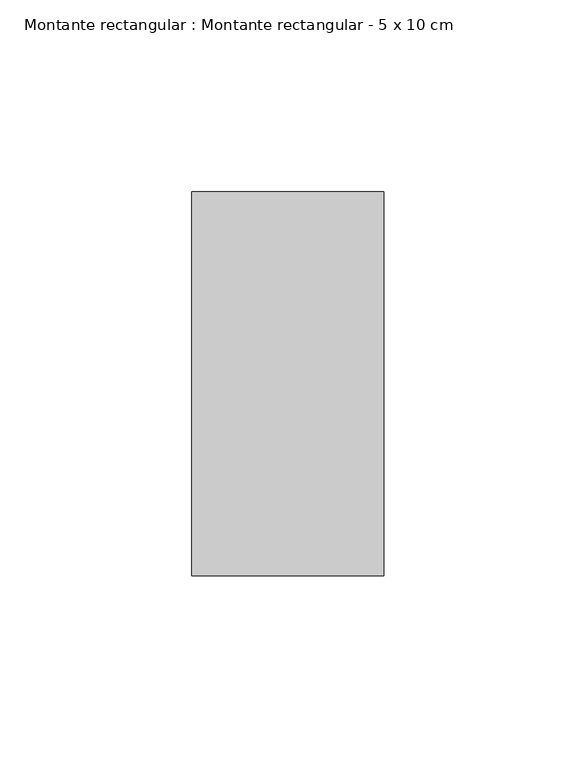
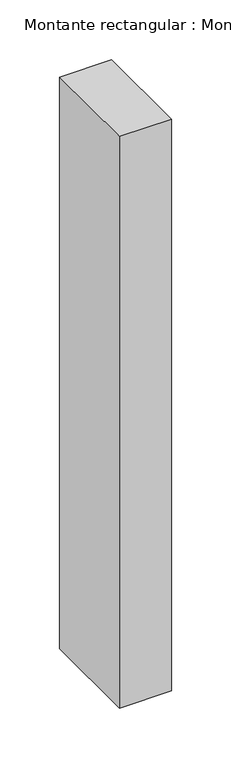
"""IFC4 building model written with IfcOpenShell, lengths in millimetres: member geometry, Montante rectangular : Montante rectangular - 5 x 10 cm."""

from ifc_helpers import new_model, si_unit, frame, origin, place, context, project, spatial, polyline, outline, extrude, source, transform, mapped, element, save


def montante_rectangular_montante_rectangular_5_x_10_cm_d1263c97(model_context):
    return source(origin(), model_context, "Body", "SweptSolid", [
        extrude(outline(polyline([(25.0, 50.0), (25.0, -50.0), (-25.0, -50.0), (-25.0, 50.0), (25.0, 50.0)])), frame((0.0, 0.0, -583.0), z_axis=(0.0, 0.0, 1.0), x_axis=(1.0, 0.0, 0.0)), (0.0, 0.0, 1.0), 583.0),
    ])


if __name__ == "__main__":
    model = new_model("IFC4")
    model_context = context("Model", 3, world=origin())
    ifc_project = project(units=[si_unit("LENGTHUNIT", "METRE", prefix="MILLI")], contexts=[model_context])
    site = spatial("IfcSite", under=ifc_project)
    building = spatial("IfcBuilding", under=site)
    placement = place(None, origin())
    montante_rectangular_montante_rectangular_5_x_10_cm_shape = montante_rectangular_montante_rectangular_5_x_10_cm_d1263c97(model_context)
    element("IfcMember", 1, ObjectType="Montante rectangular : Montante rectangular - 5 x 10 cm", at=placement, inside=building, context=model_context, shape_type="MappedRepresentation", body=[
        mapped(montante_rectangular_montante_rectangular_5_x_10_cm_shape, transform((0.0, 0.0, 0.0), x_axis=(1.0, 0.0, 0.0), y_axis=(0.0, 1.0, 0.0), z_axis=(0.0, 0.0, 1.0))),
    ])
    save(model, "model.ifc")
